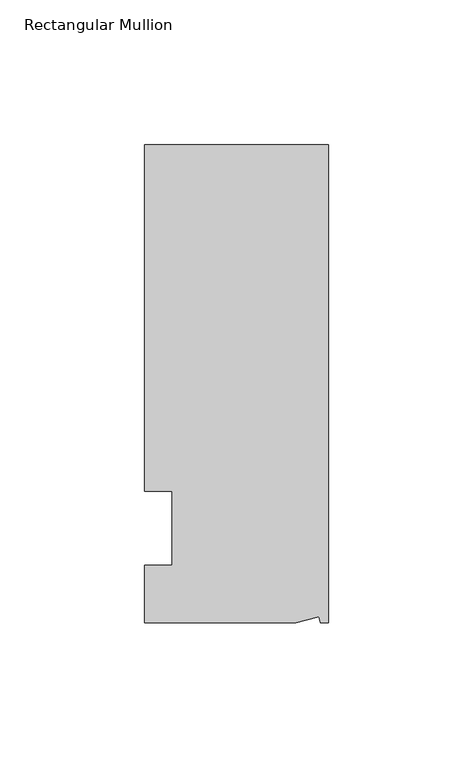
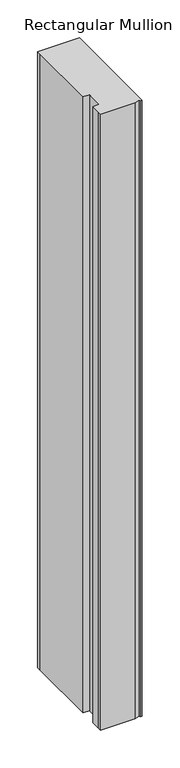
"""IFC4 building model written with IfcOpenShell, lengths in millimetres: member geometry, Rectangular Mullion."""

import ifcopenshell
import ifcopenshell.guid

model = None  # the IFC model being written
_history = None  # IfcOwnerHistory: only IFC2X3 demands one
_inside = {}  # id of a spatial element -> (the spatial element, [elements in it])
_under = {}  # id of a project, library or spatial element -> (it, [spatial elements below it])
_declared = {}  # id of a project -> (the project, [libraries it declares])
_typed = {}  # id of a type object -> (the type object, [elements of that type])
_made_of = {}  # id of a material, layer set ... -> (it, [elements and type objects made of it])


def new_model(schema):
    """Start an empty IFC model of exactly this schema.

    Asked for "IFC4X3", IfcOpenShell would pick the latest addendum, in which some entities
    have other attributes; the version numbers below select the first issue.
    IFC2X3 requires an IfcOwnerHistory on every rooted entity: one is made here for all.
    """
    global model, _history
    if schema == "IFC4X3":
        model = ifcopenshell.file(schema_version=(4, 3, 0, 0))
    else:
        model = ifcopenshell.file(schema=schema)
    _inside.clear()
    _under.clear()
    _declared.clear()
    _typed.clear()
    _made_of.clear()
    _history = None
    if model.schema == "IFC2X3":
        org = make("IfcOrganization", Name="unknown")
        user = make(
            "IfcPersonAndOrganization",
            ThePerson=make("IfcPerson", FamilyName="unknown"),
            TheOrganization=org,
        )
        app = make(
            "IfcApplication",
            ApplicationDeveloper=org,
            Version="unknown",
            ApplicationFullName="unknown",
            ApplicationIdentifier="unknown",
        )
        _history = make(
            "IfcOwnerHistory",
            OwningUser=user,
            OwningApplication=app,
            ChangeAction="ADDED",
            CreationDate=0,
        )
    return model


def make(cls, **values):
    """One entity of the class cls with the attributes given. An attribute that is None is left unset."""
    return model.create_entity(
        cls, **{name: value for name, value in values.items() if value is not None}
    )


def rooted(cls, **values):
    """An entity with a GlobalId (a new one), such as an element, a storey or a relation."""
    return make(cls, GlobalId=ifcopenshell.guid.new(), OwnerHistory=_history, **values)


def si_unit(unit_type, name, prefix=None):
    """IfcSIUnit, for example si_unit("LENGTHUNIT", "METRE", prefix="MILLI")."""
    return make("IfcSIUnit", UnitType=unit_type, Prefix=prefix, Name=name)


def assignment(units):
    """IfcUnitAssignment: the units of a project."""
    return None if units is None else make("IfcUnitAssignment", Units=units)


def point(xyz):
    """IfcCartesianPoint."""
    return None if xyz is None else make("IfcCartesianPoint", Coordinates=xyz)


def direction(xyz):
    """IfcDirection."""
    return None if xyz is None else make("IfcDirection", DirectionRatios=xyz)


def frame(location, z_axis=None, x_axis=None):
    """IfcAxis2Placement3D, a coordinate frame: its origin and axes. An axis left out is left unset."""
    return make(
        "IfcAxis2Placement3D",
        Location=point(location),
        Axis=direction(z_axis),
        RefDirection=direction(x_axis),
    )


def origin():
    """The frame at (0, 0, 0) with its axes left unset."""
    return frame((0.0, 0.0, 0.0))


def place(relative_to, where):
    """IfcLocalPlacement: puts the frame where relative to a parent placement (None: the world)."""
    return make(
        "IfcLocalPlacement", PlacementRelTo=relative_to, RelativePlacement=where
    )


def context(
    kind, dimensions, precision=None, world=None, true_north=None, identifier=None
):
    """IfcGeometricRepresentationContext, for example the 3D "Model" context."""
    return make(
        "IfcGeometricRepresentationContext",
        ContextIdentifier=identifier,
        ContextType=kind,
        CoordinateSpaceDimension=dimensions,
        Precision=precision,
        WorldCoordinateSystem=world,
        TrueNorth=true_north,
    )


def project(units=None, contexts=None):
    """IfcProject with its units and contexts."""
    return rooted(
        "IfcProject",
        Name="project",
        RepresentationContexts=contexts,
        UnitsInContext=assignment(units),
    )


def spatial(cls, under=None, at=None, **own):
    """A site, building, storey or space (cls), placed at a placement, below another one or the project."""
    s = rooted(cls, ObjectPlacement=at, **own)
    if under is not None:
        _under.setdefault(under.id(), (under, []))[1].append(s)
    return s


def faces_of(points, faces, orient=None, outer=None):
    """IfcFace entities. A face is a list of loops; a loop is a list of indices into points, from 0.

    orient and outer hold one flag for each loop. By default every Orientation is true, the
    first loop of a face is its IfcFaceOuterBound and the others are IfcFaceBound.
    """
    made = []
    for i, loops in enumerate(faces):
        bounds = []
        for j, loop in enumerate(loops):
            is_outer = j == 0 if outer is None else outer[i][j]
            bounds.append(
                make(
                    "IfcFaceOuterBound" if is_outer else "IfcFaceBound",
                    Bound=make("IfcPolyLoop", Polygon=[points[k] for k in loop]),
                    Orientation=True if orient is None else orient[i][j],
                )
            )
        made.append(make("IfcFace", Bounds=bounds))
    return made


def faceted_brep(points, faces, orient=None, outer=None, voids=None):
    """IfcFacetedBrep: a solid bounded by flat faces; with voids (closed shells), ...WithVoids."""
    shared = [point(p) for p in points]
    hull = make("IfcClosedShell", CfsFaces=faces_of(shared, faces, orient, outer))
    if voids is None:
        return make("IfcFacetedBrep", Outer=hull)
    return make(
        "IfcFacetedBrepWithVoids",
        Outer=hull,
        Voids=[
            make(cls, CfsFaces=faces_of(shared, fs, o, b)) for cls, fs, o, b in voids
        ],
    )


def shape(context_of_items, identifier, shape_type, items):
    """IfcShapeRepresentation: the items that make up one representation, for example the "Body"."""
    return make(
        "IfcShapeRepresentation",
        ContextOfItems=context_of_items,
        RepresentationIdentifier=identifier,
        RepresentationType=shape_type,
        Items=items,
    )


def source(mapping_origin, context_of_items, identifier, shape_type, items):
    """IfcRepresentationMap: a shape defined once, which mapped items show again and again."""
    return make(
        "IfcRepresentationMap",
        MappingOrigin=mapping_origin,
        MappedRepresentation=shape(context_of_items, identifier, shape_type, items),
    )


def transform(
    local_origin,
    x_axis=None,
    y_axis=None,
    z_axis=None,
    scale=None,
    scale2=None,
    scale3=None,
    uniform=True,
):
    """IfcCartesianTransformationOperator3D, or its non-uniform kind. x_axis, y_axis, z_axis: its Axis1, 2, 3."""
    if uniform:
        return make(
            "IfcCartesianTransformationOperator3D",
            Axis1=direction(x_axis),
            Axis2=direction(y_axis),
            LocalOrigin=point(local_origin),
            Scale=scale,
            Axis3=direction(z_axis),
        )
    return make(
        "IfcCartesianTransformationOperator3DnonUniform",
        Axis1=direction(x_axis),
        Axis2=direction(y_axis),
        LocalOrigin=point(local_origin),
        Scale=scale,
        Axis3=direction(z_axis),
        Scale2=scale2,
        Scale3=scale3,
    )


def mapped(mapping_source, mapping_target):
    """IfcMappedItem: shows the shape of a source again, moved by a transform."""
    return make(
        "IfcMappedItem", MappingSource=mapping_source, MappingTarget=mapping_target
    )


def made_of(thing, what):
    """Note that an element or type object is made of a material, layer set ...; save() writes the relation."""
    if what is not None:
        _made_of.setdefault(what.id(), (what, []))[1].append(thing)
    return thing


def element(
    cls,
    number,
    at=None,
    inside=None,
    cuts=None,
    type_object=None,
    material=None,
    context=None,
    identifier="Body",
    shape_type=None,
    held_by="IfcProductDefinitionShape",
    body=None,
    shapes=None,
    **own,
):
    """One element of the class cls, such as IfcWall. Its Tag is "e" and its number.

    at: its placement. inside: the storey or other place that contains it. cuts: it is an
    opening in that element (IfcRelVoidsElement). A single representation is given by context,
    identifier, shape_type and body (its items); several are given by shapes. held_by: the class
    of the entity that holds the representations. save() writes the other relations.
    """
    e = rooted(cls, Tag="e%d" % number, ObjectPlacement=at, **own)
    if body is not None:
        shapes = [shape(context, identifier, shape_type, body)]
    if shapes is not None:
        e.Representation = make(held_by, Representations=shapes)
    if inside is not None:
        _inside.setdefault(inside.id(), (inside, []))[1].append(e)
    if cuts is not None:
        rooted(
            "IfcRelVoidsElement", RelatingBuildingElement=cuts, RelatedOpeningElement=e
        )
    if type_object is not None:
        _typed.setdefault(type_object.id(), (type_object, []))[1].append(e)
    return made_of(e, material)


def aggregate(whole, parts):
    """IfcRelAggregates: a whole, such as a stair, and the parts it consists of."""
    return rooted("IfcRelAggregates", RelatingObject=whole, RelatedObjects=parts)


def save(model, path):
    """Write the relations noted so far, then the file.

    IfcRelAggregates (storeys below a building ...), IfcRelContainedInSpatialStructure (elements
    in a storey), IfcRelDefinesByType, IfcRelAssociatesMaterial and IfcRelDeclares: one each for
    every whole, place, type object, material and project.
    """
    for whole, parts in _under.values():
        aggregate(whole, parts)
    for where, things in _inside.values():
        rooted(
            "IfcRelContainedInSpatialStructure",
            RelatedElements=things,
            RelatingStructure=where,
        )
    for kind, things in _typed.values():
        rooted("IfcRelDefinesByType", RelatedObjects=things, RelatingType=kind)
    for what, things in _made_of.values():
        rooted("IfcRelAssociatesMaterial", RelatedObjects=things, RelatingMaterial=what)
    for by, libraries in _declared.values():
        rooted("IfcRelDeclares", RelatingContext=by, RelatedDefinitions=libraries)
    model.write(path)


def rectangular_mullion_f92d2de8(model_context):
    return source(origin(), model_context, "Body", "Brep", [
        faceted_brep([(0.0, 132.5561012, 0.0), (-63.5, 132.5561012, 0.0), (-63.5, 126.2061012, 0.0), (-63.5, 12.8488281, 0.0), (-53.975, 12.8488281, 0.0), (-53.975, -12.7, 0.0), (-63.5, -12.7, 0.0), (-63.5, -26.1938988, 0.0), (-63.5076469, -32.5438988, 0.0), (-11.1125, -32.5438988, 0.0), (-3.3223696, -30.4565397, 0.0), (-2.7630634, -32.5438988, 0.0), (0.0, -32.5438988, 0.0), (0.0, 132.5561012, -990.6), (0.0, -32.5438988, -990.6), (-2.7630634, -32.5438988, -990.6), (-3.3223696, -30.4565397, -990.6), (-11.1125, -32.5438988, -990.6), (-63.5076469, -32.5438988, -990.6), (-63.5076469, -26.1938988, -990.6), (-63.5, -12.7, -990.6), (-53.975, -12.7, -990.6), (-53.975, 12.8488281, -990.6), (-63.5, 12.8488281, -990.6), (-63.5, 126.2061012, -990.6), (-63.5, 132.5561012, -990.6)], [[[0, 1, 2, 3, 4, 5, 6, 7, 8, 9, 10, 11, 12]], [[13, 14, 15, 16, 17, 18, 19, 20, 21, 22, 23, 24, 25]], [[1, 0, 13, 25]], [[3, 2, 24, 23]], [[4, 3, 23, 22]], [[5, 4, 22, 21]], [[6, 5, 21, 20]], [[7, 6, 20, 19]], [[9, 8, 18, 17]], [[10, 9, 17, 16]], [[11, 10, 16, 15]], [[12, 11, 15, 14]], [[0, 12, 14, 13]], [[2, 1, 25, 24]], [[8, 7, 19, 18]]]),
    ])


if __name__ == "__main__":
    model = new_model("IFC4")
    model_context = context("Model", 3, world=origin())
    ifc_project = project(units=[si_unit("LENGTHUNIT", "METRE", prefix="MILLI")], contexts=[model_context])
    site = spatial("IfcSite", under=ifc_project)
    building = spatial("IfcBuilding", under=site)
    placement = place(None, origin())
    rectangular_mullion_shape = rectangular_mullion_f92d2de8(model_context)
    element("IfcMember", 1, ObjectType="Rectangular Mullion", at=placement, inside=building, context=model_context, shape_type="MappedRepresentation", body=[
        mapped(rectangular_mullion_shape, transform((0.0, 0.0, 0.0), x_axis=(1.0, 0.0, 0.0), y_axis=(0.0, 1.0, 0.0), z_axis=(0.0, 0.0, 1.0))),
    ])
    save(model, "model.ifc")
